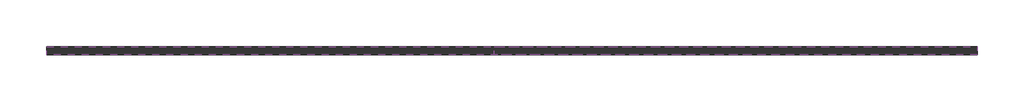
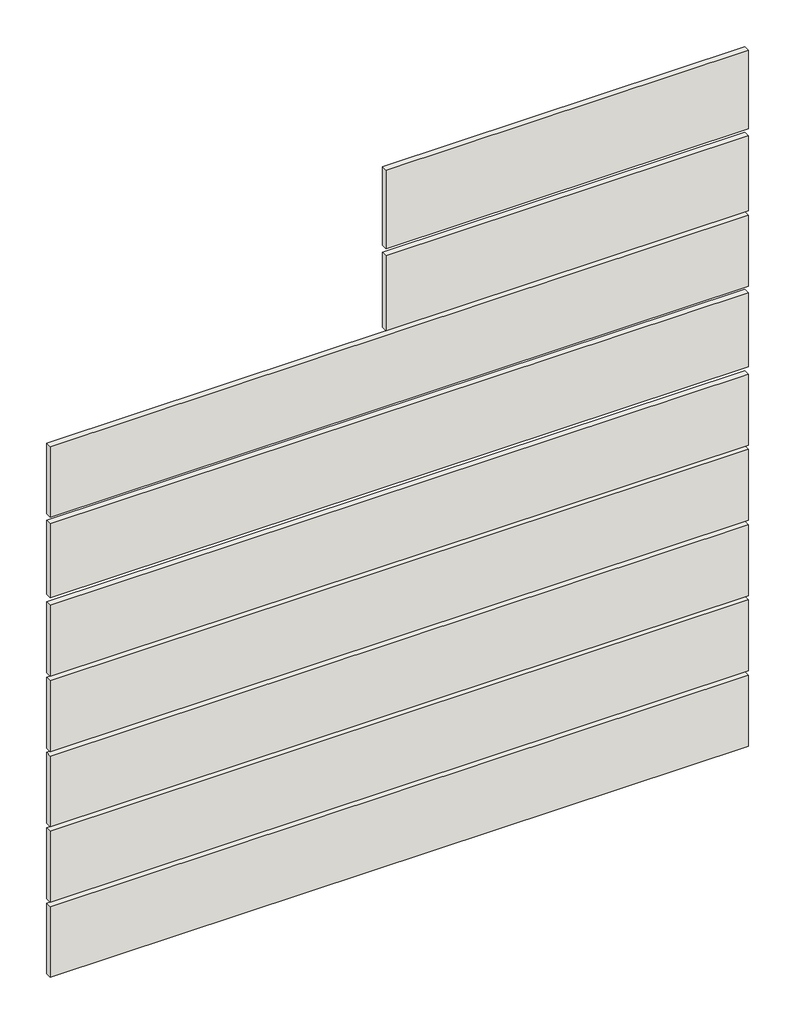
# One storey: 9 walls.
"""IFC4 building model written with IfcOpenShell, lengths in millimetres."""

from ifc_helpers import new_model, si_unit, frame, origin, place, context, project, spatial, polyline, outline, extrude, element, save

model = new_model("IFC4")

# Units and contexts
model_context = context("Model", 3, world=origin())
ifc_project = project(units=[si_unit("LENGTHUNIT", "METRE", prefix="MILLI")], contexts=[model_context])

# Site, building, storey
site = spatial("IfcSite", under=ifc_project)
building = spatial("IfcBuilding", under=site)
storey = spatial("IfcBuildingStorey", under=building, Elevation=-300.0)

# Walls
placement = place(None, origin())
element("IfcWall", 1, at=placement, inside=storey, context=model_context, shape_type="SweptSolid", body=[
    extrude(outline(polyline([(-15268.7928422, -18816.3077326), (-16088.7928422, -18816.3077326), (-16088.7928422, -18802.3077326), (-15268.7928422, -18802.3077326), (-15268.7928422, -18816.3077326)])), frame((0.0, 0.0, 1566.938541), z_axis=(0.0, 0.0, 1.0), x_axis=(1.0, 0.0, 0.0)), (0.0, 0.0, 1.0), 188.061459),
])
element("IfcWall", 2, at=placement, inside=storey, context=model_context, shape_type="SweptSolid", body=[
    extrude(outline(polyline([(-15268.7928422, -18816.3077326), (-16088.7928422, -18816.3077326), (-16088.7928422, -18802.3077326), (-15268.7928422, -18802.3077326), (-15268.7928422, -18816.3077326)])), frame((0.0, 0.0, 1370.5004038), z_axis=(0.0, 0.0, 1.0), x_axis=(1.0, 0.0, 0.0)), (0.0, 0.0, 1.0), 179.4995962),
])
element("IfcWall", 3, at=placement, inside=storey, context=model_context, shape_type="SweptSolid", body=[
    extrude(outline(polyline([(-15268.7928422, -18816.3077326), (-16848.7928422, -18816.3077326), (-16848.7928422, -18802.3077326), (-15268.7928422, -18802.3077326), (-15268.7928422, -18816.3077326)])), frame((0.0, 0.0, 1190.5004038), z_axis=(0.0, 0.0, 1.0), x_axis=(1.0, 0.0, 0.0)), (0.0, 0.0, 1.0), 169.4995962),
])
element("IfcWall", 4, at=placement, inside=storey, context=model_context, shape_type="SweptSolid", body=[
    extrude(outline(polyline([(-15268.7928422, -18816.3077326), (-16848.7928422, -18816.3077326), (-16848.7928422, -18802.3077326), (-15268.7928422, -18802.3077326), (-15268.7928422, -18816.3077326)])), frame((0.0, 0.0, 998.0476427), z_axis=(0.0, 0.0, 1.0), x_axis=(1.0, 0.0, 0.0)), (0.0, 0.0, 1.0), 176.9523573),
])
element("IfcWall", 5, at=placement, inside=storey, context=model_context, shape_type="SweptSolid", body=[
    extrude(outline(polyline([(-15268.7928422, -18816.3077326), (-16848.7928422, -18816.3077326), (-16848.7928422, -18802.3077326), (-15268.7928422, -18802.3077326), (-15268.7928422, -18816.3077326)])), frame((0.0, 0.0, 810.5004038), z_axis=(0.0, 0.0, 1.0), x_axis=(1.0, 0.0, 0.0)), (0.0, 0.0, 1.0), 169.4995962),
])
element("IfcWall", 6, at=placement, inside=storey, context=model_context, shape_type="SweptSolid", body=[
    extrude(outline(polyline([(-15268.7928422, -18816.3077326), (-16848.7928422, -18816.3077326), (-16848.7928422, -18802.3077326), (-15268.7928422, -18802.3077326), (-15268.7928422, -18816.3077326)])), frame((0.0, 0.0, 630.5004038), z_axis=(0.0, 0.0, 1.0), x_axis=(1.0, 0.0, 0.0)), (0.0, 0.0, 1.0), 169.4995962),
])
element("IfcWall", 7, at=placement, inside=storey, context=model_context, shape_type="SweptSolid", body=[
    extrude(outline(polyline([(-15268.7928422, -18816.3077326), (-16848.7928422, -18816.3077326), (-16848.7928422, -18802.3077326), (-15268.7928422, -18802.3077326), (-15268.7928422, -18816.3077326)])), frame((0.0, 0.0, 450.5004038), z_axis=(0.0, 0.0, 1.0), x_axis=(1.0, 0.0, 0.0)), (0.0, 0.0, 1.0), 169.4995962),
])
element("IfcWall", 8, at=placement, inside=storey, context=model_context, shape_type="SweptSolid", body=[
    extrude(outline(polyline([(-15268.7928422, -18816.3077326), (-16848.7928422, -18816.3077326), (-16848.7928422, -18802.3077326), (-15268.7928422, -18802.3077326), (-15268.7928422, -18816.3077326)])), frame((0.0, 0.0, 270.5004038), z_axis=(0.0, 0.0, 1.0), x_axis=(1.0, 0.0, 0.0)), (0.0, 0.0, 1.0), 169.4995962),
])
element("IfcWall", 9, at=placement, inside=storey, context=model_context, shape_type="SweptSolid", body=[
    extrude(outline(polyline([(-15268.7928422, -18816.3077326), (-16848.7928422, -18816.3077326), (-16848.7928422, -18802.3077326), (-15268.7928422, -18802.3077326), (-15268.7928422, -18816.3077326)])), frame((0.0, 0.0, 90.5004038), z_axis=(0.0, 0.0, 1.0), x_axis=(1.0, 0.0, 0.0)), (0.0, 0.0, 1.0), 169.4995962),
])

save(model, "model.ifc")
